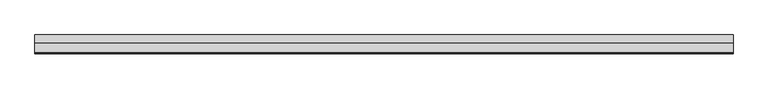
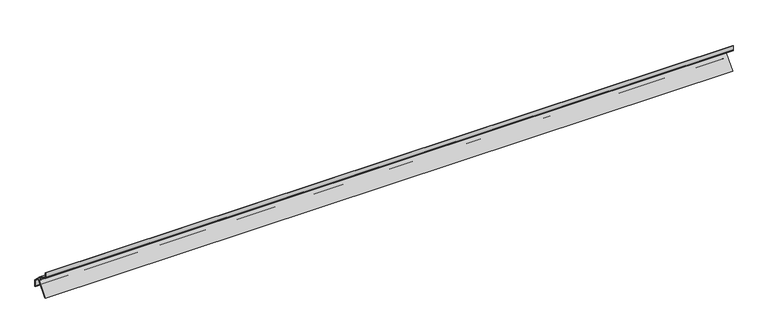
"""IFC4 building model written with IfcOpenShell, lengths in millimetres: plate geometry."""

from ifc_helpers import new_model, si_unit, point, frame, frame_2d, origin, place, context, project, spatial, polyline, circle_curve, trimmed, segment, composite_curve, outline, extrude, source, transform, mapped, element, save


def plate_57a20f1e(model_context):
    return source(origin(), model_context, "Body", "SweptSolid", [
        extrude(outline(composite_curve([segment(polyline([(0.0, 0.0), (1.4, -0.9802906), (1.4, -9.9670603)]), True, "CONTINUOUS"), segment(trimmed(circle_curve(frame_2d((2.9, -9.9670603)), 1.5), [point((1.4, -9.9670603))], [point((2.15, -11.2660984))], True, "CARTESIAN"), True, "CONTINUOUS"), segment(polyline([(2.15, -11.2660984), (23.283107, -23.4673035), (41.0, -41.1841964), (41.0, -56.4107643), (36.8, -52.916404), (36.8, -51.615555), (39.6, -53.9451285), (39.6, -41.7640954), (27.0, -29.1640954), (27.0, -31.2342551)]), True, "CONTINUOUS"), segment(trimmed(circle_curve(frame_2d((23.6, -31.2342551)), 3.4), [point((27.0, -31.2342551))], [point((26.2045511, -33.419733))], False, "CARTESIAN"), True, "CONTINUOUS"), segment(polyline([(26.2045511, -33.419733), (3.7464997, -60.1841964), (1.9189295, -60.1841964), (25.1320889, -32.5198303), (25.5237364, -30.3372021), (24.548431, -28.2456529), (24.1254706, -26.6671431)]), True, "CONTINUOUS"), segment(trimmed(circle_curve(frame_2d((23.5459151, -26.8224345)), 0.6), [point((24.1254706, -26.6671431))], [point((23.2680442, -26.2906566))], True, "CARTESIAN"), True, "CONTINUOUS"), segment(trimmed(circle_curve(frame_2d((23.359665, -27.2864505)), 1.0), [point((23.2680442, -26.2906566))], [point((22.3937391, -27.5452696))], True, "CARTESIAN"), True, "CONTINUOUS"), segment(polyline([(22.3937391, -27.5452696), (22.8965926, -29.4219442)]), True, "CONTINUOUS"), segment(trimmed(circle_curve(frame_2d((22.6068148, -29.4995899)), 0.3), [point((22.8965926, -29.4219442))], [point((22.3946828, -29.7117219))], False, "CARTESIAN"), True, "CONTINUOUS"), segment(polyline([(22.3946828, -29.7117219), (21.5836359, -28.900675)]), True, "CONTINUOUS"), segment(trimmed(circle_curve(frame_2d((23.359665, -27.2864505)), 2.4), [point((21.5836359, -28.900675))], [point((21.9840541, -25.319805))], False, "CARTESIAN"), True, "CONTINUOUS"), segment(trimmed(circle_curve(frame_2d((21.6401513, -24.8281436)), 0.6), [point((21.9840541, -25.319805))], [point((21.9401513, -24.3085284))], True, "CARTESIAN"), True, "CONTINUOUS"), segment(polyline([(21.9401513, -24.3085284), (2.2174927, -12.9216461), (1.3782013, -13.1259857)]), True, "CONTINUOUS"), segment(trimmed(circle_curve(frame_2d((3.0, -10.6021456)), 3.0), [point((1.3782013, -13.1259857))], [point((0.0, -10.6021456))], False, "CARTESIAN"), True, "CONTINUOUS"), segment(polyline([(0.0, -10.6021456), (0.0, 0.0)]), True, "CONTINUOUS")], self_intersect=False)), frame((-750.0, 0.0, 0.0), z_axis=(1.0, 0.0, 0.0), x_axis=(0.0, 1.0, 0.0)), (0.0, 0.0, 1.0), 1499.7321324),
    ])


if __name__ == "__main__":
    model = new_model("IFC4")
    model_context = context("Model", 3, world=origin())
    ifc_project = project(units=[si_unit("LENGTHUNIT", "METRE", prefix="MILLI")], contexts=[model_context])
    site = spatial("IfcSite", under=ifc_project)
    building = spatial("IfcBuilding", under=site)
    placement = place(None, origin())
    plate_shape = plate_57a20f1e(model_context)
    element("IfcPlate", 1, at=placement, inside=building, context=model_context, shape_type="MappedRepresentation", body=[
        mapped(plate_shape, transform((0.0, 0.0, 0.0), x_axis=(1.0, 0.0, 0.0), y_axis=(0.0, 1.0, 0.0), z_axis=(0.0, 0.0, 1.0))),
    ])
    save(model, "model.ifc")
